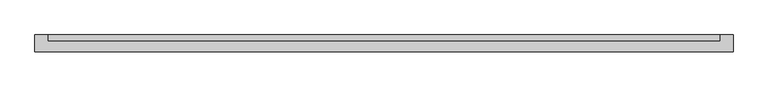
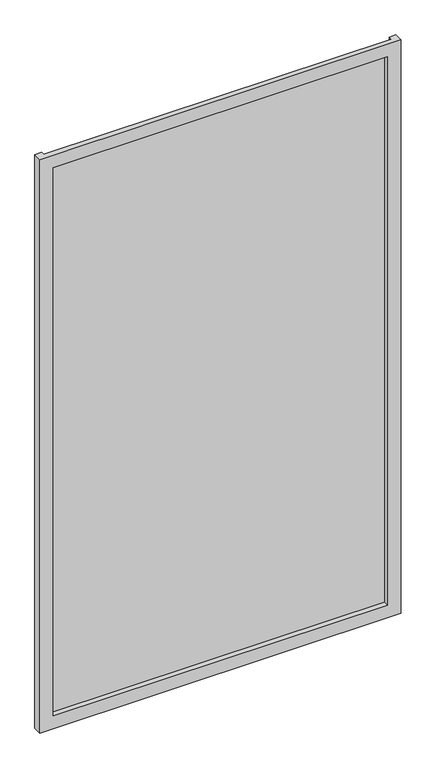
"""IFC4 building model written with IfcOpenShell, lengths in millimetres: plate geometry."""

from ifc_helpers import new_model, si_unit, origin, origin_with_axes, place, context, project, spatial, polyline, outline, extrude, faceted_brep, source, transform, mapped, element, save


def plate_4c6381d9(model_context):
    return source(origin(), model_context, "Body", "SolidModel", [
        faceted_brep([(675.0, -50.9, -50.0), (675.0, -83.3, -50.0), (-675.0, -83.3, -50.0), (-675.0, -50.9, -50.0), (-650.0, -50.9, -50.0), (-650.0, -63.3, -50.0), (650.0, -63.3, -50.0), (650.0, -50.9, -50.0), (625.0, -83.3, 0.0), (625.0, -63.3, 0.0), (-625.0, -63.3, 0.0), (-625.0, -83.3, 0.0), (675.0, -83.3, 2215.0), (-675.0, -83.3, 2215.0), (-625.0, -83.3, 2165.0), (625.0, -83.3, 2165.0), (-650.0, -63.3, 2215.0), (650.0, -63.3, 2215.0), (625.0, -63.3, 2165.0), (-625.0, -63.3, 2165.0), (675.0, -50.9, 2215.0), (650.0, -50.9, 2215.0), (-650.0, -50.9, 2215.0), (-675.0, -50.9, 2215.0)], [[[0, 1, 2, 3, 4, 5, 6, 7]], [[8, 9, 10, 11]], [[12, 13, 2, 1], [11, 14, 15, 8]], [[16, 17, 6, 5], [9, 18, 19, 10]], [[20, 21, 17, 16, 22, 23, 13, 12]], [[20, 0, 7, 21]], [[21, 7, 6, 17]], [[8, 15, 18, 9]], [[12, 1, 0, 20]], [[22, 4, 3, 23]], [[16, 5, 4, 22]], [[10, 19, 14, 11]], [[23, 3, 2, 13]], [[18, 15, 14, 19]]]),
        extrude(outline(polyline([(650.0, -50.9), (650.0, -63.3), (-650.0, -63.3), (-650.0, -50.9), (650.0, -50.9)])), origin_with_axes(), (0.0, 0.0, 1.0), 2165.0),
    ])


if __name__ == "__main__":
    model = new_model("IFC4")
    model_context = context("Model", 3, world=origin())
    ifc_project = project(units=[si_unit("LENGTHUNIT", "METRE", prefix="MILLI")], contexts=[model_context])
    site = spatial("IfcSite", under=ifc_project)
    building = spatial("IfcBuilding", under=site)
    placement = place(None, origin())
    plate_shape = plate_4c6381d9(model_context)
    element("IfcPlate", 1, at=placement, inside=building, context=model_context, shape_type="MappedRepresentation", body=[
        mapped(plate_shape, transform((0.0, 0.0, 0.0), x_axis=(1.0, 0.0, 0.0), y_axis=(0.0, 1.0, 0.0), z_axis=(0.0, 0.0, 1.0))),
    ])
    save(model, "model.ifc")
